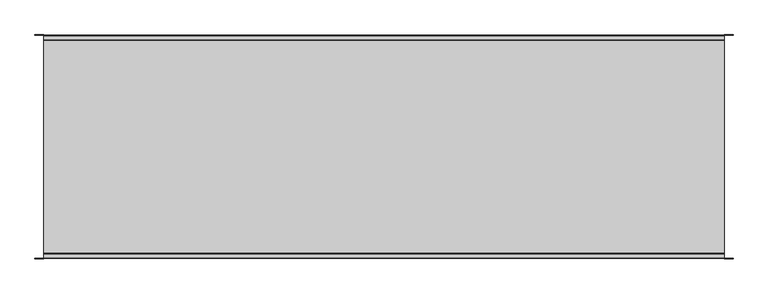
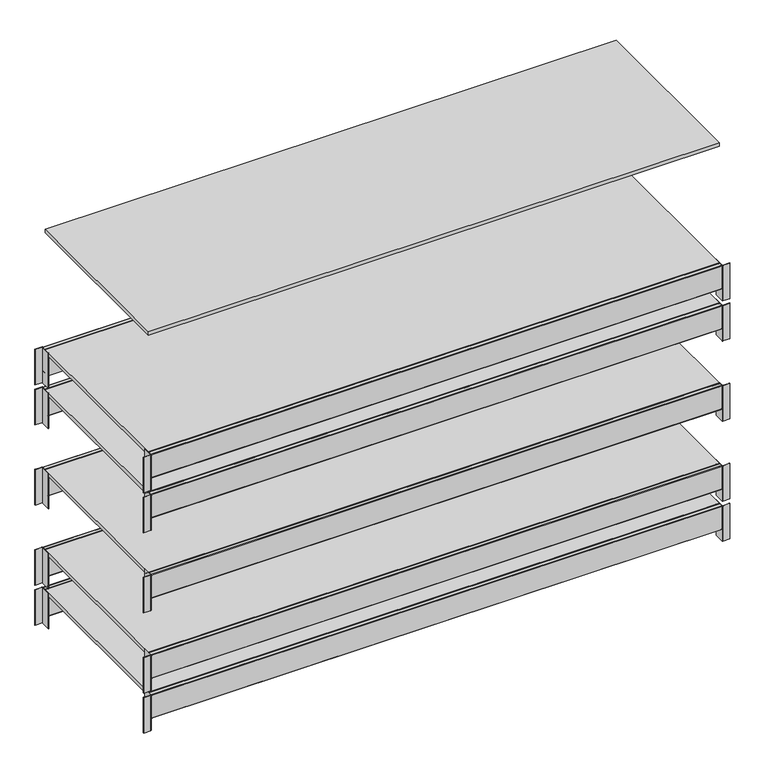
"""IFC4 building model written with IfcOpenShell, lengths in millimetres: furniture geometry."""

from ifc_helpers import new_model, si_unit, point, frame, frame_2d, origin, place, context, project, spatial, polyline, circle_curve, trimmed, segment, composite_curve, outline, extrude, source, transform, mapped, element, save


def furniture_fd3de871(model_context):
    return source(origin(), model_context, "Body", "SweptSolid", [
        extrude(outline(polyline([(2826.5, 878.0), (2826.5, 22.0), (86.5, 22.0), (86.5, 878.0), (2826.5, 878.0)])), frame((0.0, 0.0, 1607.6), z_axis=(0.0, 0.0, 1.0), x_axis=(1.0, 0.0, 0.0)), (0.0, 0.0, 1.0), 18.0),
        extrude(outline(polyline([(2826.5, 878.0), (2826.5, 22.0), (86.5, 22.0), (86.5, 878.0), (2826.5, 878.0)])), frame((0.0, 0.0, 794.8), z_axis=(0.0, 0.0, 1.0), x_axis=(1.0, 0.0, 0.0)), (0.0, 0.0, 1.0), 18.0),
        extrude(outline(polyline([(2826.5, 878.0), (2826.5, 22.0), (86.5, 22.0), (86.5, 878.0), (2826.5, 878.0)])), frame((0.0, 0.0, 1201.2), z_axis=(0.0, 0.0, 1.0), x_axis=(1.0, 0.0, 0.0)), (0.0, 0.0, 1.0), 18.0),
        extrude(outline(polyline([(2826.5, 878.0), (2826.5, 22.0), (86.5, 22.0), (86.5, 878.0), (2826.5, 878.0)])), frame((0.0, 0.0, 1810.8), z_axis=(0.0, 0.0, 1.0), x_axis=(1.0, 0.0, 0.0)), (0.0, 0.0, 1.0), 18.0),
        extrude(outline(polyline([(2826.5, 878.0), (2826.5, 22.0), (86.5, 22.0), (86.5, 878.0), (2826.5, 878.0)])), frame((0.0, 0.0, 591.6), z_axis=(0.0, 0.0, 1.0), x_axis=(1.0, 0.0, 0.0)), (0.0, 0.0, 1.0), 18.0),
        extrude(outline(polyline([(2826.5, 878.0), (2826.5, 22.0), (86.5, 22.0), (86.5, 878.0), (2826.5, 878.0)])), frame((0.0, 0.0, 2420.4), z_axis=(0.0, 0.0, 1.0), x_axis=(1.0, 0.0, 0.0)), (0.0, 0.0, 1.0), 18.0),
        extrude(outline(composite_curve([segment(trimmed(circle_curve(frame_2d((879.5, 1811.3)), 0.5), [point((879.5, 1810.8))], [point((880.0, 1811.3))], True, "CARTESIAN"), True, "CONTINUOUS"), segment(polyline([(880.0, 1811.3), (880.0, 1826.8)]), True, "CONTINUOUS"), segment(trimmed(circle_curve(frame_2d((882.0, 1826.8)), 2.0), [point((880.0, 1826.8))], [point((882.0, 1828.8))], False, "CARTESIAN"), True, "CONTINUOUS"), segment(polyline([(882.0, 1828.8), (898.0, 1828.8)]), True, "CONTINUOUS"), segment(trimmed(circle_curve(frame_2d((898.0, 1826.8)), 2.0), [point((898.0, 1828.8))], [point((900.0, 1826.8))], False, "CARTESIAN"), True, "CONTINUOUS"), segment(polyline([(900.0, 1826.8), (900.0, 1710.8)]), True, "CONTINUOUS"), segment(trimmed(circle_curve(frame_2d((898.0, 1710.8)), 2.0), [point((900.0, 1710.8))], [point((898.0, 1708.8))], False, "CARTESIAN"), True, "CONTINUOUS"), segment(polyline([(898.0, 1708.8), (857.0, 1708.8)]), True, "CONTINUOUS"), segment(trimmed(circle_curve(frame_2d((857.0, 1710.8)), 2.0), [point((857.0, 1708.8))], [point((855.0, 1710.8))], False, "CARTESIAN"), True, "CONTINUOUS"), segment(polyline([(855.0, 1710.8), (855.0, 1808.8)]), True, "CONTINUOUS"), segment(trimmed(circle_curve(frame_2d((857.0, 1808.8)), 2.0), [point((855.0, 1808.8))], [point((857.0, 1810.8))], False, "CARTESIAN"), True, "CONTINUOUS"), segment(polyline([(857.0, 1810.8), (879.5, 1810.8)]), True, "CONTINUOUS")], self_intersect=False), holes=[composite_curve([segment(trimmed(circle_curve(frame_2d((857.0, 1808.8)), 0.5), [point((857.0, 1809.3))], [point((856.5, 1808.8))], True, "CARTESIAN"), True, "CONTINUOUS"), segment(polyline([(856.5, 1808.8), (856.5, 1710.8)]), True, "CONTINUOUS"), segment(trimmed(circle_curve(frame_2d((857.0, 1710.8)), 0.5), [point((856.5, 1710.8))], [point((857.0, 1710.3))], True, "CARTESIAN"), True, "CONTINUOUS"), segment(polyline([(857.0, 1710.3), (898.0, 1710.3)]), True, "CONTINUOUS"), segment(trimmed(circle_curve(frame_2d((898.0, 1710.8)), 0.5), [point((898.0, 1710.3))], [point((898.5, 1710.8))], True, "CARTESIAN"), True, "CONTINUOUS"), segment(polyline([(898.5, 1710.8), (898.5, 1826.8)]), True, "CONTINUOUS"), segment(trimmed(circle_curve(frame_2d((898.0, 1826.8)), 0.5), [point((898.5, 1826.8))], [point((898.0, 1827.3))], True, "CARTESIAN"), True, "CONTINUOUS"), segment(polyline([(898.0, 1827.3), (882.0, 1827.3)]), True, "CONTINUOUS"), segment(trimmed(circle_curve(frame_2d((882.0, 1826.8)), 0.5), [point((882.0, 1827.3))], [point((881.5, 1826.8))], True, "CARTESIAN"), True, "CONTINUOUS"), segment(polyline([(881.5, 1826.8), (881.5, 1811.3)]), True, "CONTINUOUS"), segment(trimmed(circle_curve(frame_2d((879.5, 1811.3)), 2.0), [point((881.5, 1811.3))], [point((879.5, 1809.3))], False, "CARTESIAN"), True, "CONTINUOUS"), segment(polyline([(879.5, 1809.3), (857.0, 1809.3)]), True, "CONTINUOUS")], self_intersect=False)]), frame((86.5, 0.0, 0.0), z_axis=(1.0, 0.0, 0.0), x_axis=(0.0, 1.0, 0.0)), (0.0, 0.0, 1.0), 2740.0),
        extrude(outline(composite_curve([segment(trimmed(circle_curve(frame_2d((43.0, 1808.8)), 2.0), [point((43.0, 1810.8))], [point((45.0, 1808.8))], False, "CARTESIAN"), True, "CONTINUOUS"), segment(polyline([(45.0, 1808.8), (45.0, 1710.8)]), True, "CONTINUOUS"), segment(trimmed(circle_curve(frame_2d((43.0, 1710.8)), 2.0), [point((45.0, 1710.8))], [point((43.0, 1708.8))], False, "CARTESIAN"), True, "CONTINUOUS"), segment(polyline([(43.0, 1708.8), (2.0, 1708.8)]), True, "CONTINUOUS"), segment(trimmed(circle_curve(frame_2d((2.0, 1710.8)), 2.0), [point((2.0, 1708.8))], [point((0.0, 1710.8))], False, "CARTESIAN"), True, "CONTINUOUS"), segment(polyline([(0.0, 1710.8), (0.0, 1826.8)]), True, "CONTINUOUS"), segment(trimmed(circle_curve(frame_2d((2.0, 1826.8)), 2.0), [point((0.0, 1826.8))], [point((2.0, 1828.8))], False, "CARTESIAN"), True, "CONTINUOUS"), segment(polyline([(2.0, 1828.8), (18.0, 1828.8)]), True, "CONTINUOUS"), segment(trimmed(circle_curve(frame_2d((18.0, 1826.8)), 2.0), [point((18.0, 1828.8))], [point((20.0, 1826.8))], False, "CARTESIAN"), True, "CONTINUOUS"), segment(polyline([(20.0, 1826.8), (20.0, 1811.3)]), True, "CONTINUOUS"), segment(trimmed(circle_curve(frame_2d((20.5, 1811.3)), 0.5), [point((20.0, 1811.3))], [point((20.5, 1810.8))], True, "CARTESIAN"), True, "CONTINUOUS"), segment(polyline([(20.5, 1810.8), (43.0, 1810.8)]), True, "CONTINUOUS")], self_intersect=False), holes=[composite_curve([segment(trimmed(circle_curve(frame_2d((20.5, 1811.3)), 2.0), [point((20.5, 1809.3))], [point((18.5, 1811.3))], False, "CARTESIAN"), True, "CONTINUOUS"), segment(polyline([(18.5, 1811.3), (18.5, 1826.8)]), True, "CONTINUOUS"), segment(trimmed(circle_curve(frame_2d((18.0, 1826.8)), 0.5), [point((18.5, 1826.8))], [point((18.0, 1827.3))], True, "CARTESIAN"), True, "CONTINUOUS"), segment(polyline([(18.0, 1827.3), (2.0, 1827.3)]), True, "CONTINUOUS"), segment(trimmed(circle_curve(frame_2d((2.0, 1826.8)), 0.5), [point((2.0, 1827.3))], [point((1.5, 1826.8))], True, "CARTESIAN"), True, "CONTINUOUS"), segment(polyline([(1.5, 1826.8), (1.5, 1710.8)]), True, "CONTINUOUS"), segment(trimmed(circle_curve(frame_2d((2.0, 1710.8)), 0.5), [point((1.5, 1710.8))], [point((2.0, 1710.3))], True, "CARTESIAN"), True, "CONTINUOUS"), segment(polyline([(2.0, 1710.3), (43.0, 1710.3)]), True, "CONTINUOUS"), segment(trimmed(circle_curve(frame_2d((43.0, 1710.8)), 0.5), [point((43.0, 1710.3))], [point((43.5, 1710.8))], True, "CARTESIAN"), True, "CONTINUOUS"), segment(polyline([(43.5, 1710.8), (43.5, 1808.8)]), True, "CONTINUOUS"), segment(trimmed(circle_curve(frame_2d((43.0, 1808.8)), 0.5), [point((43.5, 1808.8))], [point((43.0, 1809.3))], True, "CARTESIAN"), True, "CONTINUOUS"), segment(polyline([(43.0, 1809.3), (20.5, 1809.3)]), True, "CONTINUOUS")], self_intersect=False)]), frame((86.5, 0.0, 0.0), z_axis=(1.0, 0.0, 0.0), x_axis=(0.0, 1.0, 0.0)), (0.0, 0.0, 1.0), 2740.0),
        extrude(outline(composite_curve([segment(trimmed(circle_curve(frame_2d((879.5, 592.1)), 0.5), [point((879.5, 591.6))], [point((880.0, 592.1))], True, "CARTESIAN"), True, "CONTINUOUS"), segment(polyline([(880.0, 592.1), (880.0, 607.6)]), True, "CONTINUOUS"), segment(trimmed(circle_curve(frame_2d((882.0, 607.6)), 2.0), [point((880.0, 607.6))], [point((882.0, 609.6))], False, "CARTESIAN"), True, "CONTINUOUS"), segment(polyline([(882.0, 609.6), (898.0, 609.6)]), True, "CONTINUOUS"), segment(trimmed(circle_curve(frame_2d((898.0, 607.6)), 2.0), [point((898.0, 609.6))], [point((900.0, 607.6))], False, "CARTESIAN"), True, "CONTINUOUS"), segment(polyline([(900.0, 607.6), (900.0, 491.6)]), True, "CONTINUOUS"), segment(trimmed(circle_curve(frame_2d((898.0, 491.6)), 2.0), [point((900.0, 491.6))], [point((898.0, 489.6))], False, "CARTESIAN"), True, "CONTINUOUS"), segment(polyline([(898.0, 489.6), (857.0, 489.6)]), True, "CONTINUOUS"), segment(trimmed(circle_curve(frame_2d((857.0, 491.6)), 2.0), [point((857.0, 489.6))], [point((855.0, 491.6))], False, "CARTESIAN"), True, "CONTINUOUS"), segment(polyline([(855.0, 491.6), (855.0, 589.6)]), True, "CONTINUOUS"), segment(trimmed(circle_curve(frame_2d((857.0, 589.6)), 2.0), [point((855.0, 589.6))], [point((857.0, 591.6))], False, "CARTESIAN"), True, "CONTINUOUS"), segment(polyline([(857.0, 591.6), (879.5, 591.6)]), True, "CONTINUOUS")], self_intersect=False), holes=[composite_curve([segment(trimmed(circle_curve(frame_2d((857.0, 589.6)), 0.5), [point((857.0, 590.1))], [point((856.5, 589.6))], True, "CARTESIAN"), True, "CONTINUOUS"), segment(polyline([(856.5, 589.6), (856.5, 491.6)]), True, "CONTINUOUS"), segment(trimmed(circle_curve(frame_2d((857.0, 491.6)), 0.5), [point((856.5, 491.6))], [point((857.0, 491.1))], True, "CARTESIAN"), True, "CONTINUOUS"), segment(polyline([(857.0, 491.1), (898.0, 491.1)]), True, "CONTINUOUS"), segment(trimmed(circle_curve(frame_2d((898.0, 491.6)), 0.5), [point((898.0, 491.1))], [point((898.5, 491.6))], True, "CARTESIAN"), True, "CONTINUOUS"), segment(polyline([(898.5, 491.6), (898.5, 607.6)]), True, "CONTINUOUS"), segment(trimmed(circle_curve(frame_2d((898.0, 607.6)), 0.5), [point((898.5, 607.6))], [point((898.0, 608.1))], True, "CARTESIAN"), True, "CONTINUOUS"), segment(polyline([(898.0, 608.1), (882.0, 608.1)]), True, "CONTINUOUS"), segment(trimmed(circle_curve(frame_2d((882.0, 607.6)), 0.5), [point((882.0, 608.1))], [point((881.5, 607.6))], True, "CARTESIAN"), True, "CONTINUOUS"), segment(polyline([(881.5, 607.6), (881.5, 592.1)]), True, "CONTINUOUS"), segment(trimmed(circle_curve(frame_2d((879.5, 592.1)), 2.0), [point((881.5, 592.1))], [point((879.5, 590.1))], False, "CARTESIAN"), True, "CONTINUOUS"), segment(polyline([(879.5, 590.1), (857.0, 590.1)]), True, "CONTINUOUS")], self_intersect=False)]), frame((86.5, 0.0, 0.0), z_axis=(1.0, 0.0, 0.0), x_axis=(0.0, 1.0, 0.0)), (0.0, 0.0, 1.0), 2740.0),
        extrude(outline(composite_curve([segment(trimmed(circle_curve(frame_2d((43.0, 589.6)), 2.0), [point((43.0, 591.6))], [point((45.0, 589.6))], False, "CARTESIAN"), True, "CONTINUOUS"), segment(polyline([(45.0, 589.6), (45.0, 491.6)]), True, "CONTINUOUS"), segment(trimmed(circle_curve(frame_2d((43.0, 491.6)), 2.0), [point((45.0, 491.6))], [point((43.0, 489.6))], False, "CARTESIAN"), True, "CONTINUOUS"), segment(polyline([(43.0, 489.6), (2.0, 489.6)]), True, "CONTINUOUS"), segment(trimmed(circle_curve(frame_2d((2.0, 491.6)), 2.0), [point((2.0, 489.6))], [point((0.0, 491.6))], False, "CARTESIAN"), True, "CONTINUOUS"), segment(polyline([(0.0, 491.6), (0.0, 607.6)]), True, "CONTINUOUS"), segment(trimmed(circle_curve(frame_2d((2.0, 607.6)), 2.0), [point((0.0, 607.6))], [point((2.0, 609.6))], False, "CARTESIAN"), True, "CONTINUOUS"), segment(polyline([(2.0, 609.6), (18.0, 609.6)]), True, "CONTINUOUS"), segment(trimmed(circle_curve(frame_2d((18.0, 607.6)), 2.0), [point((18.0, 609.6))], [point((20.0, 607.6))], False, "CARTESIAN"), True, "CONTINUOUS"), segment(polyline([(20.0, 607.6), (20.0, 592.1)]), True, "CONTINUOUS"), segment(trimmed(circle_curve(frame_2d((20.5, 592.1)), 0.5), [point((20.0, 592.1))], [point((20.5, 591.6))], True, "CARTESIAN"), True, "CONTINUOUS"), segment(polyline([(20.5, 591.6), (43.0, 591.6)]), True, "CONTINUOUS")], self_intersect=False), holes=[composite_curve([segment(trimmed(circle_curve(frame_2d((20.5, 592.1)), 2.0), [point((20.5, 590.1))], [point((18.5, 592.1))], False, "CARTESIAN"), True, "CONTINUOUS"), segment(polyline([(18.5, 592.1), (18.5, 607.6)]), True, "CONTINUOUS"), segment(trimmed(circle_curve(frame_2d((18.0, 607.6)), 0.5), [point((18.5, 607.6))], [point((18.0, 608.1))], True, "CARTESIAN"), True, "CONTINUOUS"), segment(polyline([(18.0, 608.1), (2.0, 608.1)]), True, "CONTINUOUS"), segment(trimmed(circle_curve(frame_2d((2.0, 607.6)), 0.5), [point((2.0, 608.1))], [point((1.5, 607.6))], True, "CARTESIAN"), True, "CONTINUOUS"), segment(polyline([(1.5, 607.6), (1.5, 491.6)]), True, "CONTINUOUS"), segment(trimmed(circle_curve(frame_2d((2.0, 491.6)), 0.5), [point((1.5, 491.6))], [point((2.0, 491.1))], True, "CARTESIAN"), True, "CONTINUOUS"), segment(polyline([(2.0, 491.1), (43.0, 491.1)]), True, "CONTINUOUS"), segment(trimmed(circle_curve(frame_2d((43.0, 491.6)), 0.5), [point((43.0, 491.1))], [point((43.5, 491.6))], True, "CARTESIAN"), True, "CONTINUOUS"), segment(polyline([(43.5, 491.6), (43.5, 589.6)]), True, "CONTINUOUS"), segment(trimmed(circle_curve(frame_2d((43.0, 589.6)), 0.5), [point((43.5, 589.6))], [point((43.0, 590.1))], True, "CARTESIAN"), True, "CONTINUOUS"), segment(polyline([(43.0, 590.1), (20.5, 590.1)]), True, "CONTINUOUS")], self_intersect=False)]), frame((86.5, 0.0, 0.0), z_axis=(1.0, 0.0, 0.0), x_axis=(0.0, 1.0, 0.0)), (0.0, 0.0, 1.0), 2740.0),
        extrude(outline(composite_curve([segment(polyline([(50.0, 901.5), (84.5, 901.5)]), True, "CONTINUOUS"), segment(trimmed(circle_curve(frame_2d((84.5, 899.5)), 2.0), [point((84.5, 901.5))], [point((86.5, 899.5))], False, "CARTESIAN"), True, "CONTINUOUS"), segment(polyline([(86.5, 899.5), (86.5, 850.0), (85.0, 850.0), (85.0, 899.5)]), True, "CONTINUOUS"), segment(trimmed(circle_curve(frame_2d((84.5, 899.5)), 0.5), [point((85.0, 899.5))], [point((84.5, 900.0))], True, "CARTESIAN"), True, "CONTINUOUS"), segment(polyline([(84.5, 900.0), (50.0, 900.0), (50.0, 901.5)]), True, "CONTINUOUS")], self_intersect=False)), frame((0.0, 0.0, 429.6), z_axis=(0.0, 0.0, 1.0), x_axis=(1.0, 0.0, 0.0)), (0.0, 0.0, 1.0), 180.0),
        extrude(outline(composite_curve([segment(polyline([(84.5, -1.5), (50.0, -1.5), (50.0, 0.0), (84.5, 0.0)]), True, "CONTINUOUS"), segment(trimmed(circle_curve(frame_2d((84.5, 0.5)), 0.5), [point((84.5, 0.0))], [point((85.0, 0.5))], True, "CARTESIAN"), True, "CONTINUOUS"), segment(polyline([(85.0, 0.5), (85.0, 50.0), (86.5, 50.0), (86.5, 0.5)]), True, "CONTINUOUS"), segment(trimmed(circle_curve(frame_2d((84.5, 0.5)), 2.0), [point((86.5, 0.5))], [point((84.5, -1.5))], False, "CARTESIAN"), True, "CONTINUOUS")], self_intersect=False)), frame((0.0, 0.0, 429.6), z_axis=(0.0, 0.0, 1.0), x_axis=(1.0, 0.0, 0.0)), (0.0, 0.0, 1.0), 180.0),
        extrude(outline(composite_curve([segment(polyline([(2863.0, -1.5), (2828.5, -1.5)]), True, "CONTINUOUS"), segment(trimmed(circle_curve(frame_2d((2828.5, 0.5)), 2.0), [point((2828.5, -1.5))], [point((2826.5, 0.5))], False, "CARTESIAN"), True, "CONTINUOUS"), segment(polyline([(2826.5, 0.5), (2826.5, 50.0), (2828.0, 50.0), (2828.0, 0.5)]), True, "CONTINUOUS"), segment(trimmed(circle_curve(frame_2d((2828.5, 0.5)), 0.5), [point((2828.0, 0.5))], [point((2828.5, 0.0))], True, "CARTESIAN"), True, "CONTINUOUS"), segment(polyline([(2828.5, 0.0), (2863.0, 0.0), (2863.0, -1.5)]), True, "CONTINUOUS")], self_intersect=False)), frame((0.0, 0.0, 429.6), z_axis=(0.0, 0.0, 1.0), x_axis=(1.0, 0.0, 0.0)), (0.0, 0.0, 1.0), 180.0),
        extrude(outline(composite_curve([segment(polyline([(2828.5, 901.5), (2863.0, 901.5), (2863.0, 900.0), (2828.5, 900.0)]), True, "CONTINUOUS"), segment(trimmed(circle_curve(frame_2d((2828.5, 899.5)), 0.5), [point((2828.5, 900.0))], [point((2828.0, 899.5))], True, "CARTESIAN"), True, "CONTINUOUS"), segment(polyline([(2828.0, 899.5), (2828.0, 850.0), (2826.5, 850.0), (2826.5, 899.5)]), True, "CONTINUOUS"), segment(trimmed(circle_curve(frame_2d((2828.5, 899.5)), 2.0), [point((2826.5, 899.5))], [point((2828.5, 901.5))], False, "CARTESIAN"), True, "CONTINUOUS")], self_intersect=False)), frame((0.0, 0.0, 429.6), z_axis=(0.0, 0.0, 1.0), x_axis=(1.0, 0.0, 0.0)), (0.0, 0.0, 1.0), 180.0),
        extrude(outline(composite_curve([segment(polyline([(50.0, 901.5), (84.5, 901.5)]), True, "CONTINUOUS"), segment(trimmed(circle_curve(frame_2d((84.5, 899.5)), 2.0), [point((84.5, 901.5))], [point((86.5, 899.5))], False, "CARTESIAN"), True, "CONTINUOUS"), segment(polyline([(86.5, 899.5), (86.5, 850.0), (85.0, 850.0), (85.0, 899.5)]), True, "CONTINUOUS"), segment(trimmed(circle_curve(frame_2d((84.5, 899.5)), 0.5), [point((85.0, 899.5))], [point((84.5, 900.0))], True, "CARTESIAN"), True, "CONTINUOUS"), segment(polyline([(84.5, 900.0), (50.0, 900.0), (50.0, 901.5)]), True, "CONTINUOUS")], self_intersect=False)), frame((0.0, 0.0, 1648.8), z_axis=(0.0, 0.0, 1.0), x_axis=(1.0, 0.0, 0.0)), (0.0, 0.0, 1.0), 180.0),
        extrude(outline(composite_curve([segment(polyline([(84.5, -1.5), (50.0, -1.5), (50.0, 0.0), (84.5, 0.0)]), True, "CONTINUOUS"), segment(trimmed(circle_curve(frame_2d((84.5, 0.5)), 0.5), [point((84.5, 0.0))], [point((85.0, 0.5))], True, "CARTESIAN"), True, "CONTINUOUS"), segment(polyline([(85.0, 0.5), (85.0, 50.0), (86.5, 50.0), (86.5, 0.5)]), True, "CONTINUOUS"), segment(trimmed(circle_curve(frame_2d((84.5, 0.5)), 2.0), [point((86.5, 0.5))], [point((84.5, -1.5))], False, "CARTESIAN"), True, "CONTINUOUS")], self_intersect=False)), frame((0.0, 0.0, 1648.8), z_axis=(0.0, 0.0, 1.0), x_axis=(1.0, 0.0, 0.0)), (0.0, 0.0, 1.0), 180.0),
        extrude(outline(composite_curve([segment(polyline([(2863.0, -1.5), (2828.5, -1.5)]), True, "CONTINUOUS"), segment(trimmed(circle_curve(frame_2d((2828.5, 0.5)), 2.0), [point((2828.5, -1.5))], [point((2826.5, 0.5))], False, "CARTESIAN"), True, "CONTINUOUS"), segment(polyline([(2826.5, 0.5), (2826.5, 50.0), (2828.0, 50.0), (2828.0, 0.5)]), True, "CONTINUOUS"), segment(trimmed(circle_curve(frame_2d((2828.5, 0.5)), 0.5), [point((2828.0, 0.5))], [point((2828.5, 0.0))], True, "CARTESIAN"), True, "CONTINUOUS"), segment(polyline([(2828.5, 0.0), (2863.0, 0.0), (2863.0, -1.5)]), True, "CONTINUOUS")], self_intersect=False)), frame((0.0, 0.0, 1648.8), z_axis=(0.0, 0.0, 1.0), x_axis=(1.0, 0.0, 0.0)), (0.0, 0.0, 1.0), 180.0),
        extrude(outline(composite_curve([segment(polyline([(2828.5, 901.5), (2863.0, 901.5), (2863.0, 900.0), (2828.5, 900.0)]), True, "CONTINUOUS"), segment(trimmed(circle_curve(frame_2d((2828.5, 899.5)), 0.5), [point((2828.5, 900.0))], [point((2828.0, 899.5))], True, "CARTESIAN"), True, "CONTINUOUS"), segment(polyline([(2828.0, 899.5), (2828.0, 850.0), (2826.5, 850.0), (2826.5, 899.5)]), True, "CONTINUOUS"), segment(trimmed(circle_curve(frame_2d((2828.5, 899.5)), 2.0), [point((2826.5, 899.5))], [point((2828.5, 901.5))], False, "CARTESIAN"), True, "CONTINUOUS")], self_intersect=False)), frame((0.0, 0.0, 1648.8), z_axis=(0.0, 0.0, 1.0), x_axis=(1.0, 0.0, 0.0)), (0.0, 0.0, 1.0), 180.0),
        extrude(outline(composite_curve([segment(polyline([(50.0, 901.5), (84.5, 901.5)]), True, "CONTINUOUS"), segment(trimmed(circle_curve(frame_2d((84.5, 899.5)), 2.0), [point((84.5, 901.5))], [point((86.5, 899.5))], False, "CARTESIAN"), True, "CONTINUOUS"), segment(polyline([(86.5, 899.5), (86.5, 850.0), (85.0, 850.0), (85.0, 899.5)]), True, "CONTINUOUS"), segment(trimmed(circle_curve(frame_2d((84.5, 899.5)), 0.5), [point((85.0, 899.5))], [point((84.5, 900.0))], True, "CARTESIAN"), True, "CONTINUOUS"), segment(polyline([(84.5, 900.0), (50.0, 900.0), (50.0, 901.5)]), True, "CONTINUOUS")], self_intersect=False)), frame((0.0, 0.0, 632.8), z_axis=(0.0, 0.0, 1.0), x_axis=(1.0, 0.0, 0.0)), (0.0, 0.0, 1.0), 180.0),
        extrude(outline(composite_curve([segment(polyline([(84.5, -1.5), (50.0, -1.5), (50.0, 0.0), (84.5, 0.0)]), True, "CONTINUOUS"), segment(trimmed(circle_curve(frame_2d((84.5, 0.5)), 0.5), [point((84.5, 0.0))], [point((85.0, 0.5))], True, "CARTESIAN"), True, "CONTINUOUS"), segment(polyline([(85.0, 0.5), (85.0, 50.0), (86.5, 50.0), (86.5, 0.5)]), True, "CONTINUOUS"), segment(trimmed(circle_curve(frame_2d((84.5, 0.5)), 2.0), [point((86.5, 0.5))], [point((84.5, -1.5))], False, "CARTESIAN"), True, "CONTINUOUS")], self_intersect=False)), frame((0.0, 0.0, 632.8), z_axis=(0.0, 0.0, 1.0), x_axis=(1.0, 0.0, 0.0)), (0.0, 0.0, 1.0), 180.0),
        extrude(outline(composite_curve([segment(polyline([(2863.0, -1.5), (2828.5, -1.5)]), True, "CONTINUOUS"), segment(trimmed(circle_curve(frame_2d((2828.5, 0.5)), 2.0), [point((2828.5, -1.5))], [point((2826.5, 0.5))], False, "CARTESIAN"), True, "CONTINUOUS"), segment(polyline([(2826.5, 0.5), (2826.5, 50.0), (2828.0, 50.0), (2828.0, 0.5)]), True, "CONTINUOUS"), segment(trimmed(circle_curve(frame_2d((2828.5, 0.5)), 0.5), [point((2828.0, 0.5))], [point((2828.5, 0.0))], True, "CARTESIAN"), True, "CONTINUOUS"), segment(polyline([(2828.5, 0.0), (2863.0, 0.0), (2863.0, -1.5)]), True, "CONTINUOUS")], self_intersect=False)), frame((0.0, 0.0, 632.8), z_axis=(0.0, 0.0, 1.0), x_axis=(1.0, 0.0, 0.0)), (0.0, 0.0, 1.0), 180.0),
        extrude(outline(composite_curve([segment(polyline([(2828.5, 901.5), (2863.0, 901.5), (2863.0, 900.0), (2828.5, 900.0)]), True, "CONTINUOUS"), segment(trimmed(circle_curve(frame_2d((2828.5, 899.5)), 0.5), [point((2828.5, 900.0))], [point((2828.0, 899.5))], True, "CARTESIAN"), True, "CONTINUOUS"), segment(polyline([(2828.0, 899.5), (2828.0, 850.0), (2826.5, 850.0), (2826.5, 899.5)]), True, "CONTINUOUS"), segment(trimmed(circle_curve(frame_2d((2828.5, 899.5)), 2.0), [point((2826.5, 899.5))], [point((2828.5, 901.5))], False, "CARTESIAN"), True, "CONTINUOUS")], self_intersect=False)), frame((0.0, 0.0, 632.8), z_axis=(0.0, 0.0, 1.0), x_axis=(1.0, 0.0, 0.0)), (0.0, 0.0, 1.0), 180.0),
        extrude(outline(composite_curve([segment(polyline([(50.0, 901.5), (84.5, 901.5)]), True, "CONTINUOUS"), segment(trimmed(circle_curve(frame_2d((84.5, 899.5)), 2.0), [point((84.5, 901.5))], [point((86.5, 899.5))], False, "CARTESIAN"), True, "CONTINUOUS"), segment(polyline([(86.5, 899.5), (86.5, 850.0), (85.0, 850.0), (85.0, 899.5)]), True, "CONTINUOUS"), segment(trimmed(circle_curve(frame_2d((84.5, 899.5)), 0.5), [point((85.0, 899.5))], [point((84.5, 900.0))], True, "CARTESIAN"), True, "CONTINUOUS"), segment(polyline([(84.5, 900.0), (50.0, 900.0), (50.0, 901.5)]), True, "CONTINUOUS")], self_intersect=False)), frame((0.0, 0.0, 1445.6), z_axis=(0.0, 0.0, 1.0), x_axis=(1.0, 0.0, 0.0)), (0.0, 0.0, 1.0), 180.0),
        extrude(outline(composite_curve([segment(polyline([(84.5, -1.5), (50.0, -1.5), (50.0, 0.0), (84.5, 0.0)]), True, "CONTINUOUS"), segment(trimmed(circle_curve(frame_2d((84.5, 0.5)), 0.5), [point((84.5, 0.0))], [point((85.0, 0.5))], True, "CARTESIAN"), True, "CONTINUOUS"), segment(polyline([(85.0, 0.5), (85.0, 50.0), (86.5, 50.0), (86.5, 0.5)]), True, "CONTINUOUS"), segment(trimmed(circle_curve(frame_2d((84.5, 0.5)), 2.0), [point((86.5, 0.5))], [point((84.5, -1.5))], False, "CARTESIAN"), True, "CONTINUOUS")], self_intersect=False)), frame((0.0, 0.0, 1445.6), z_axis=(0.0, 0.0, 1.0), x_axis=(1.0, 0.0, 0.0)), (0.0, 0.0, 1.0), 180.0),
        extrude(outline(composite_curve([segment(polyline([(2863.0, -1.5), (2828.5, -1.5)]), True, "CONTINUOUS"), segment(trimmed(circle_curve(frame_2d((2828.5, 0.5)), 2.0), [point((2828.5, -1.5))], [point((2826.5, 0.5))], False, "CARTESIAN"), True, "CONTINUOUS"), segment(polyline([(2826.5, 0.5), (2826.5, 50.0), (2828.0, 50.0), (2828.0, 0.5)]), True, "CONTINUOUS"), segment(trimmed(circle_curve(frame_2d((2828.5, 0.5)), 0.5), [point((2828.0, 0.5))], [point((2828.5, 0.0))], True, "CARTESIAN"), True, "CONTINUOUS"), segment(polyline([(2828.5, 0.0), (2863.0, 0.0), (2863.0, -1.5)]), True, "CONTINUOUS")], self_intersect=False)), frame((0.0, 0.0, 1445.6), z_axis=(0.0, 0.0, 1.0), x_axis=(1.0, 0.0, 0.0)), (0.0, 0.0, 1.0), 180.0),
        extrude(outline(composite_curve([segment(polyline([(2828.5, 901.5), (2863.0, 901.5), (2863.0, 900.0), (2828.5, 900.0)]), True, "CONTINUOUS"), segment(trimmed(circle_curve(frame_2d((2828.5, 899.5)), 0.5), [point((2828.5, 900.0))], [point((2828.0, 899.5))], True, "CARTESIAN"), True, "CONTINUOUS"), segment(polyline([(2828.0, 899.5), (2828.0, 850.0), (2826.5, 850.0), (2826.5, 899.5)]), True, "CONTINUOUS"), segment(trimmed(circle_curve(frame_2d((2828.5, 899.5)), 2.0), [point((2826.5, 899.5))], [point((2828.5, 901.5))], False, "CARTESIAN"), True, "CONTINUOUS")], self_intersect=False)), frame((0.0, 0.0, 1445.6), z_axis=(0.0, 0.0, 1.0), x_axis=(1.0, 0.0, 0.0)), (0.0, 0.0, 1.0), 180.0),
        extrude(outline(composite_curve([segment(trimmed(circle_curve(frame_2d((18.0, 1623.6)), 2.0), [point((18.0, 1625.6))], [point((20.0, 1623.6))], False, "CARTESIAN"), True, "CONTINUOUS"), segment(polyline([(20.0, 1623.6), (20.0, 1608.1)]), True, "CONTINUOUS"), segment(trimmed(circle_curve(frame_2d((20.5, 1608.1)), 0.5), [point((20.0, 1608.1))], [point((20.5, 1607.6))], True, "CARTESIAN"), True, "CONTINUOUS"), segment(polyline([(20.5, 1607.6), (43.0, 1607.6)]), True, "CONTINUOUS"), segment(trimmed(circle_curve(frame_2d((43.0, 1605.6)), 2.0), [point((43.0, 1607.6))], [point((45.0, 1605.6))], False, "CARTESIAN"), True, "CONTINUOUS"), segment(polyline([(45.0, 1605.6), (45.0, 1507.6)]), True, "CONTINUOUS"), segment(trimmed(circle_curve(frame_2d((43.0, 1507.6)), 2.0), [point((45.0, 1507.6))], [point((43.0, 1505.6))], False, "CARTESIAN"), True, "CONTINUOUS"), segment(polyline([(43.0, 1505.6), (2.0, 1505.6)]), True, "CONTINUOUS"), segment(trimmed(circle_curve(frame_2d((2.0, 1507.6)), 2.0), [point((2.0, 1505.6))], [point((0.0, 1507.6))], False, "CARTESIAN"), True, "CONTINUOUS"), segment(polyline([(0.0, 1507.6), (0.0, 1623.6)]), True, "CONTINUOUS"), segment(trimmed(circle_curve(frame_2d((2.0, 1623.6)), 2.0), [point((0.0, 1623.6))], [point((2.0, 1625.6))], False, "CARTESIAN"), True, "CONTINUOUS"), segment(polyline([(2.0, 1625.6), (18.0, 1625.6)]), True, "CONTINUOUS")], self_intersect=False), holes=[composite_curve([segment(polyline([(43.0, 1606.1), (20.5, 1606.1)]), True, "CONTINUOUS"), segment(trimmed(circle_curve(frame_2d((20.5, 1608.1)), 2.0), [point((20.5, 1606.1))], [point((18.5, 1608.1))], False, "CARTESIAN"), True, "CONTINUOUS"), segment(polyline([(18.5, 1608.1), (18.5, 1623.6)]), True, "CONTINUOUS"), segment(trimmed(circle_curve(frame_2d((18.0, 1623.6)), 0.5), [point((18.5, 1623.6))], [point((18.0, 1624.1))], True, "CARTESIAN"), True, "CONTINUOUS"), segment(polyline([(18.0, 1624.1), (2.0, 1624.1)]), True, "CONTINUOUS"), segment(trimmed(circle_curve(frame_2d((2.0, 1623.6)), 0.5), [point((2.0, 1624.1))], [point((1.5, 1623.6))], True, "CARTESIAN"), True, "CONTINUOUS"), segment(polyline([(1.5, 1623.6), (1.5, 1507.6)]), True, "CONTINUOUS"), segment(trimmed(circle_curve(frame_2d((2.0, 1507.6)), 0.5), [point((1.5, 1507.6))], [point((2.0, 1507.1))], True, "CARTESIAN"), True, "CONTINUOUS"), segment(polyline([(2.0, 1507.1), (43.0, 1507.1)]), True, "CONTINUOUS"), segment(trimmed(circle_curve(frame_2d((43.0, 1507.6)), 0.5), [point((43.0, 1507.1))], [point((43.5, 1507.6))], True, "CARTESIAN"), True, "CONTINUOUS"), segment(polyline([(43.5, 1507.6), (43.5, 1605.6)]), True, "CONTINUOUS"), segment(trimmed(circle_curve(frame_2d((43.0, 1605.6)), 0.5), [point((43.5, 1605.6))], [point((43.0, 1606.1))], True, "CARTESIAN"), True, "CONTINUOUS")], self_intersect=False)]), frame((86.5, 0.0, 0.0), z_axis=(1.0, 0.0, 0.0), x_axis=(0.0, 1.0, 0.0)), (0.0, 0.0, 1.0), 2740.0),
        extrude(outline(composite_curve([segment(polyline([(882.0, 1625.6), (898.0, 1625.6)]), True, "CONTINUOUS"), segment(trimmed(circle_curve(frame_2d((898.0, 1623.6)), 2.0), [point((898.0, 1625.6))], [point((900.0, 1623.6))], False, "CARTESIAN"), True, "CONTINUOUS"), segment(polyline([(900.0, 1623.6), (900.0, 1507.6)]), True, "CONTINUOUS"), segment(trimmed(circle_curve(frame_2d((898.0, 1507.6)), 2.0), [point((900.0, 1507.6))], [point((898.0, 1505.6))], False, "CARTESIAN"), True, "CONTINUOUS"), segment(polyline([(898.0, 1505.6), (857.0, 1505.6)]), True, "CONTINUOUS"), segment(trimmed(circle_curve(frame_2d((857.0, 1507.6)), 2.0), [point((857.0, 1505.6))], [point((855.0, 1507.6))], False, "CARTESIAN"), True, "CONTINUOUS"), segment(polyline([(855.0, 1507.6), (855.0, 1605.6)]), True, "CONTINUOUS"), segment(trimmed(circle_curve(frame_2d((857.0, 1605.6)), 2.0), [point((855.0, 1605.6))], [point((857.0, 1607.6))], False, "CARTESIAN"), True, "CONTINUOUS"), segment(polyline([(857.0, 1607.6), (879.5, 1607.6)]), True, "CONTINUOUS"), segment(trimmed(circle_curve(frame_2d((879.5, 1608.1)), 0.5), [point((879.5, 1607.6))], [point((880.0, 1608.1))], True, "CARTESIAN"), True, "CONTINUOUS"), segment(polyline([(880.0, 1608.1), (880.0, 1623.6)]), True, "CONTINUOUS"), segment(trimmed(circle_curve(frame_2d((882.0, 1623.6)), 2.0), [point((880.0, 1623.6))], [point((882.0, 1625.6))], False, "CARTESIAN"), True, "CONTINUOUS")], self_intersect=False), holes=[composite_curve([segment(trimmed(circle_curve(frame_2d((857.0, 1605.6)), 0.5), [point((857.0, 1606.1))], [point((856.5, 1605.6))], True, "CARTESIAN"), True, "CONTINUOUS"), segment(polyline([(856.5, 1605.6), (856.5, 1507.6)]), True, "CONTINUOUS"), segment(trimmed(circle_curve(frame_2d((857.0, 1507.6)), 0.5), [point((856.5, 1507.6))], [point((857.0, 1507.1))], True, "CARTESIAN"), True, "CONTINUOUS"), segment(polyline([(857.0, 1507.1), (898.0, 1507.1)]), True, "CONTINUOUS"), segment(trimmed(circle_curve(frame_2d((898.0, 1507.6)), 0.5), [point((898.0, 1507.1))], [point((898.5, 1507.6))], True, "CARTESIAN"), True, "CONTINUOUS"), segment(polyline([(898.5, 1507.6), (898.5, 1623.6)]), True, "CONTINUOUS"), segment(trimmed(circle_curve(frame_2d((898.0, 1623.6)), 0.5), [point((898.5, 1623.6))], [point((898.0, 1624.1))], True, "CARTESIAN"), True, "CONTINUOUS"), segment(polyline([(898.0, 1624.1), (882.0, 1624.1)]), True, "CONTINUOUS"), segment(trimmed(circle_curve(frame_2d((882.0, 1623.6)), 0.5), [point((882.0, 1624.1))], [point((881.5, 1623.6))], True, "CARTESIAN"), True, "CONTINUOUS"), segment(polyline([(881.5, 1623.6), (881.5, 1608.1)]), True, "CONTINUOUS"), segment(trimmed(circle_curve(frame_2d((879.5, 1608.1)), 2.0), [point((881.5, 1608.1))], [point((879.5, 1606.1))], False, "CARTESIAN"), True, "CONTINUOUS"), segment(polyline([(879.5, 1606.1), (857.0, 1606.1)]), True, "CONTINUOUS")], self_intersect=False)]), frame((86.5, 0.0, 0.0), z_axis=(1.0, 0.0, 0.0), x_axis=(0.0, 1.0, 0.0)), (0.0, 0.0, 1.0), 2740.0),
        extrude(outline(composite_curve([segment(trimmed(circle_curve(frame_2d((18.0, 810.8)), 2.0), [point((18.0, 812.8))], [point((20.0, 810.8))], False, "CARTESIAN"), True, "CONTINUOUS"), segment(polyline([(20.0, 810.8), (20.0, 795.3)]), True, "CONTINUOUS"), segment(trimmed(circle_curve(frame_2d((20.5, 795.3)), 0.5), [point((20.0, 795.3))], [point((20.5, 794.8))], True, "CARTESIAN"), True, "CONTINUOUS"), segment(polyline([(20.5, 794.8), (43.0, 794.8)]), True, "CONTINUOUS"), segment(trimmed(circle_curve(frame_2d((43.0, 792.8)), 2.0), [point((43.0, 794.8))], [point((45.0, 792.8))], False, "CARTESIAN"), True, "CONTINUOUS"), segment(polyline([(45.0, 792.8), (45.0, 694.8)]), True, "CONTINUOUS"), segment(trimmed(circle_curve(frame_2d((43.0, 694.8)), 2.0), [point((45.0, 694.8))], [point((43.0, 692.8))], False, "CARTESIAN"), True, "CONTINUOUS"), segment(polyline([(43.0, 692.8), (2.0, 692.8)]), True, "CONTINUOUS"), segment(trimmed(circle_curve(frame_2d((2.0, 694.8)), 2.0), [point((2.0, 692.8))], [point((0.0, 694.8))], False, "CARTESIAN"), True, "CONTINUOUS"), segment(polyline([(0.0, 694.8), (0.0, 810.8)]), True, "CONTINUOUS"), segment(trimmed(circle_curve(frame_2d((2.0, 810.8)), 2.0), [point((0.0, 810.8))], [point((2.0, 812.8))], False, "CARTESIAN"), True, "CONTINUOUS"), segment(polyline([(2.0, 812.8), (18.0, 812.8)]), True, "CONTINUOUS")], self_intersect=False), holes=[composite_curve([segment(polyline([(43.0, 793.3), (20.5, 793.3)]), True, "CONTINUOUS"), segment(trimmed(circle_curve(frame_2d((20.5, 795.3)), 2.0), [point((20.5, 793.3))], [point((18.5, 795.3))], False, "CARTESIAN"), True, "CONTINUOUS"), segment(polyline([(18.5, 795.3), (18.5, 810.8)]), True, "CONTINUOUS"), segment(trimmed(circle_curve(frame_2d((18.0, 810.8)), 0.5), [point((18.5, 810.8))], [point((18.0, 811.3))], True, "CARTESIAN"), True, "CONTINUOUS"), segment(polyline([(18.0, 811.3), (2.0, 811.3)]), True, "CONTINUOUS"), segment(trimmed(circle_curve(frame_2d((2.0, 810.8)), 0.5), [point((2.0, 811.3))], [point((1.5, 810.8))], True, "CARTESIAN"), True, "CONTINUOUS"), segment(polyline([(1.5, 810.8), (1.5, 694.8)]), True, "CONTINUOUS"), segment(trimmed(circle_curve(frame_2d((2.0, 694.8)), 0.5), [point((1.5, 694.8))], [point((2.0, 694.3))], True, "CARTESIAN"), True, "CONTINUOUS"), segment(polyline([(2.0, 694.3), (43.0, 694.3)]), True, "CONTINUOUS"), segment(trimmed(circle_curve(frame_2d((43.0, 694.8)), 0.5), [point((43.0, 694.3))], [point((43.5, 694.8))], True, "CARTESIAN"), True, "CONTINUOUS"), segment(polyline([(43.5, 694.8), (43.5, 792.8)]), True, "CONTINUOUS"), segment(trimmed(circle_curve(frame_2d((43.0, 792.8)), 0.5), [point((43.5, 792.8))], [point((43.0, 793.3))], True, "CARTESIAN"), True, "CONTINUOUS")], self_intersect=False)]), frame((86.5, 0.0, 0.0), z_axis=(1.0, 0.0, 0.0), x_axis=(0.0, 1.0, 0.0)), (0.0, 0.0, 1.0), 2740.0),
        extrude(outline(composite_curve([segment(polyline([(882.0, 812.8), (898.0, 812.8)]), True, "CONTINUOUS"), segment(trimmed(circle_curve(frame_2d((898.0, 810.8)), 2.0), [point((898.0, 812.8))], [point((900.0, 810.8))], False, "CARTESIAN"), True, "CONTINUOUS"), segment(polyline([(900.0, 810.8), (900.0, 694.8)]), True, "CONTINUOUS"), segment(trimmed(circle_curve(frame_2d((898.0, 694.8)), 2.0), [point((900.0, 694.8))], [point((898.0, 692.8))], False, "CARTESIAN"), True, "CONTINUOUS"), segment(polyline([(898.0, 692.8), (857.0, 692.8)]), True, "CONTINUOUS"), segment(trimmed(circle_curve(frame_2d((857.0, 694.8)), 2.0), [point((857.0, 692.8))], [point((855.0, 694.8))], False, "CARTESIAN"), True, "CONTINUOUS"), segment(polyline([(855.0, 694.8), (855.0, 792.8)]), True, "CONTINUOUS"), segment(trimmed(circle_curve(frame_2d((857.0, 792.8)), 2.0), [point((855.0, 792.8))], [point((857.0, 794.8))], False, "CARTESIAN"), True, "CONTINUOUS"), segment(polyline([(857.0, 794.8), (879.5, 794.8)]), True, "CONTINUOUS"), segment(trimmed(circle_curve(frame_2d((879.5, 795.3)), 0.5), [point((879.5, 794.8))], [point((880.0, 795.3))], True, "CARTESIAN"), True, "CONTINUOUS"), segment(polyline([(880.0, 795.3), (880.0, 810.8)]), True, "CONTINUOUS"), segment(trimmed(circle_curve(frame_2d((882.0, 810.8)), 2.0), [point((880.0, 810.8))], [point((882.0, 812.8))], False, "CARTESIAN"), True, "CONTINUOUS")], self_intersect=False), holes=[composite_curve([segment(trimmed(circle_curve(frame_2d((857.0, 792.8)), 0.5), [point((857.0, 793.3))], [point((856.5, 792.8))], True, "CARTESIAN"), True, "CONTINUOUS"), segment(polyline([(856.5, 792.8), (856.5, 694.8)]), True, "CONTINUOUS"), segment(trimmed(circle_curve(frame_2d((857.0, 694.8)), 0.5), [point((856.5, 694.8))], [point((857.0, 694.3))], True, "CARTESIAN"), True, "CONTINUOUS"), segment(polyline([(857.0, 694.3), (898.0, 694.3)]), True, "CONTINUOUS"), segment(trimmed(circle_curve(frame_2d((898.0, 694.8)), 0.5), [point((898.0, 694.3))], [point((898.5, 694.8))], True, "CARTESIAN"), True, "CONTINUOUS"), segment(polyline([(898.5, 694.8), (898.5, 810.8)]), True, "CONTINUOUS"), segment(trimmed(circle_curve(frame_2d((898.0, 810.8)), 0.5), [point((898.5, 810.8))], [point((898.0, 811.3))], True, "CARTESIAN"), True, "CONTINUOUS"), segment(polyline([(898.0, 811.3), (882.0, 811.3)]), True, "CONTINUOUS"), segment(trimmed(circle_curve(frame_2d((882.0, 810.8)), 0.5), [point((882.0, 811.3))], [point((881.5, 810.8))], True, "CARTESIAN"), True, "CONTINUOUS"), segment(polyline([(881.5, 810.8), (881.5, 795.3)]), True, "CONTINUOUS"), segment(trimmed(circle_curve(frame_2d((879.5, 795.3)), 2.0), [point((881.5, 795.3))], [point((879.5, 793.3))], False, "CARTESIAN"), True, "CONTINUOUS"), segment(polyline([(879.5, 793.3), (857.0, 793.3)]), True, "CONTINUOUS")], self_intersect=False)]), frame((86.5, 0.0, 0.0), z_axis=(1.0, 0.0, 0.0), x_axis=(0.0, 1.0, 0.0)), (0.0, 0.0, 1.0), 2740.0),
        extrude(outline(composite_curve([segment(trimmed(circle_curve(frame_2d((18.0, 1217.2)), 2.0), [point((18.0, 1219.2))], [point((20.0, 1217.2))], False, "CARTESIAN"), True, "CONTINUOUS"), segment(polyline([(20.0, 1217.2), (20.0, 1201.7)]), True, "CONTINUOUS"), segment(trimmed(circle_curve(frame_2d((20.5, 1201.7)), 0.5), [point((20.0, 1201.7))], [point((20.5, 1201.2))], True, "CARTESIAN"), True, "CONTINUOUS"), segment(polyline([(20.5, 1201.2), (43.0, 1201.2)]), True, "CONTINUOUS"), segment(trimmed(circle_curve(frame_2d((43.0, 1199.2)), 2.0), [point((43.0, 1201.2))], [point((45.0, 1199.2))], False, "CARTESIAN"), True, "CONTINUOUS"), segment(polyline([(45.0, 1199.2), (45.0, 1101.2)]), True, "CONTINUOUS"), segment(trimmed(circle_curve(frame_2d((43.0, 1101.2)), 2.0), [point((45.0, 1101.2))], [point((43.0, 1099.2))], False, "CARTESIAN"), True, "CONTINUOUS"), segment(polyline([(43.0, 1099.2), (2.0, 1099.2)]), True, "CONTINUOUS"), segment(trimmed(circle_curve(frame_2d((2.0, 1101.2)), 2.0), [point((2.0, 1099.2))], [point((0.0, 1101.2))], False, "CARTESIAN"), True, "CONTINUOUS"), segment(polyline([(0.0, 1101.2), (0.0, 1217.2)]), True, "CONTINUOUS"), segment(trimmed(circle_curve(frame_2d((2.0, 1217.2)), 2.0), [point((0.0, 1217.2))], [point((2.0, 1219.2))], False, "CARTESIAN"), True, "CONTINUOUS"), segment(polyline([(2.0, 1219.2), (18.0, 1219.2)]), True, "CONTINUOUS")], self_intersect=False), holes=[composite_curve([segment(polyline([(43.0, 1199.7), (20.5, 1199.7)]), True, "CONTINUOUS"), segment(trimmed(circle_curve(frame_2d((20.5, 1201.7)), 2.0), [point((20.5, 1199.7))], [point((18.5, 1201.7))], False, "CARTESIAN"), True, "CONTINUOUS"), segment(polyline([(18.5, 1201.7), (18.5, 1217.2)]), True, "CONTINUOUS"), segment(trimmed(circle_curve(frame_2d((18.0, 1217.2)), 0.5), [point((18.5, 1217.2))], [point((18.0, 1217.7))], True, "CARTESIAN"), True, "CONTINUOUS"), segment(polyline([(18.0, 1217.7), (2.0, 1217.7)]), True, "CONTINUOUS"), segment(trimmed(circle_curve(frame_2d((2.0, 1217.2)), 0.5), [point((2.0, 1217.7))], [point((1.5, 1217.2))], True, "CARTESIAN"), True, "CONTINUOUS"), segment(polyline([(1.5, 1217.2), (1.5, 1101.2)]), True, "CONTINUOUS"), segment(trimmed(circle_curve(frame_2d((2.0, 1101.2)), 0.5), [point((1.5, 1101.2))], [point((2.0, 1100.7))], True, "CARTESIAN"), True, "CONTINUOUS"), segment(polyline([(2.0, 1100.7), (43.0, 1100.7)]), True, "CONTINUOUS"), segment(trimmed(circle_curve(frame_2d((43.0, 1101.2)), 0.5), [point((43.0, 1100.7))], [point((43.5, 1101.2))], True, "CARTESIAN"), True, "CONTINUOUS"), segment(polyline([(43.5, 1101.2), (43.5, 1199.2)]), True, "CONTINUOUS"), segment(trimmed(circle_curve(frame_2d((43.0, 1199.2)), 0.5), [point((43.5, 1199.2))], [point((43.0, 1199.7))], True, "CARTESIAN"), True, "CONTINUOUS")], self_intersect=False)]), frame((86.5, 0.0, 0.0), z_axis=(1.0, 0.0, 0.0), x_axis=(0.0, 1.0, 0.0)), (0.0, 0.0, 1.0), 2740.0),
        extrude(outline(composite_curve([segment(polyline([(882.0, 1219.2), (898.0, 1219.2)]), True, "CONTINUOUS"), segment(trimmed(circle_curve(frame_2d((898.0, 1217.2)), 2.0), [point((898.0, 1219.2))], [point((900.0, 1217.2))], False, "CARTESIAN"), True, "CONTINUOUS"), segment(polyline([(900.0, 1217.2), (900.0, 1101.2)]), True, "CONTINUOUS"), segment(trimmed(circle_curve(frame_2d((898.0, 1101.2)), 2.0), [point((900.0, 1101.2))], [point((898.0, 1099.2))], False, "CARTESIAN"), True, "CONTINUOUS"), segment(polyline([(898.0, 1099.2), (857.0, 1099.2)]), True, "CONTINUOUS"), segment(trimmed(circle_curve(frame_2d((857.0, 1101.2)), 2.0), [point((857.0, 1099.2))], [point((855.0, 1101.2))], False, "CARTESIAN"), True, "CONTINUOUS"), segment(polyline([(855.0, 1101.2), (855.0, 1199.2)]), True, "CONTINUOUS"), segment(trimmed(circle_curve(frame_2d((857.0, 1199.2)), 2.0), [point((855.0, 1199.2))], [point((857.0, 1201.2))], False, "CARTESIAN"), True, "CONTINUOUS"), segment(polyline([(857.0, 1201.2), (879.5, 1201.2)]), True, "CONTINUOUS"), segment(trimmed(circle_curve(frame_2d((879.5, 1201.7)), 0.5), [point((879.5, 1201.2))], [point((880.0, 1201.7))], True, "CARTESIAN"), True, "CONTINUOUS"), segment(polyline([(880.0, 1201.7), (880.0, 1217.2)]), True, "CONTINUOUS"), segment(trimmed(circle_curve(frame_2d((882.0, 1217.2)), 2.0), [point((880.0, 1217.2))], [point((882.0, 1219.2))], False, "CARTESIAN"), True, "CONTINUOUS")], self_intersect=False), holes=[composite_curve([segment(trimmed(circle_curve(frame_2d((857.0, 1199.2)), 0.5), [point((857.0, 1199.7))], [point((856.5, 1199.2))], True, "CARTESIAN"), True, "CONTINUOUS"), segment(polyline([(856.5, 1199.2), (856.5, 1101.2)]), True, "CONTINUOUS"), segment(trimmed(circle_curve(frame_2d((857.0, 1101.2)), 0.5), [point((856.5, 1101.2))], [point((857.0, 1100.7))], True, "CARTESIAN"), True, "CONTINUOUS"), segment(polyline([(857.0, 1100.7), (898.0, 1100.7)]), True, "CONTINUOUS"), segment(trimmed(circle_curve(frame_2d((898.0, 1101.2)), 0.5), [point((898.0, 1100.7))], [point((898.5, 1101.2))], True, "CARTESIAN"), True, "CONTINUOUS"), segment(polyline([(898.5, 1101.2), (898.5, 1217.2)]), True, "CONTINUOUS"), segment(trimmed(circle_curve(frame_2d((898.0, 1217.2)), 0.5), [point((898.5, 1217.2))], [point((898.0, 1217.7))], True, "CARTESIAN"), True, "CONTINUOUS"), segment(polyline([(898.0, 1217.7), (882.0, 1217.7)]), True, "CONTINUOUS"), segment(trimmed(circle_curve(frame_2d((882.0, 1217.2)), 0.5), [point((882.0, 1217.7))], [point((881.5, 1217.2))], True, "CARTESIAN"), True, "CONTINUOUS"), segment(polyline([(881.5, 1217.2), (881.5, 1201.7)]), True, "CONTINUOUS"), segment(trimmed(circle_curve(frame_2d((879.5, 1201.7)), 2.0), [point((881.5, 1201.7))], [point((879.5, 1199.7))], False, "CARTESIAN"), True, "CONTINUOUS"), segment(polyline([(879.5, 1199.7), (857.0, 1199.7)]), True, "CONTINUOUS")], self_intersect=False)]), frame((86.5, 0.0, 0.0), z_axis=(1.0, 0.0, 0.0), x_axis=(0.0, 1.0, 0.0)), (0.0, 0.0, 1.0), 2740.0),
        extrude(outline(composite_curve([segment(polyline([(50.0, 901.5), (84.5, 901.5)]), True, "CONTINUOUS"), segment(trimmed(circle_curve(frame_2d((84.5, 899.5)), 2.0), [point((84.5, 901.5))], [point((86.5, 899.5))], False, "CARTESIAN"), True, "CONTINUOUS"), segment(polyline([(86.5, 899.5), (86.5, 850.0), (85.0, 850.0), (85.0, 899.5)]), True, "CONTINUOUS"), segment(trimmed(circle_curve(frame_2d((84.5, 899.5)), 0.5), [point((85.0, 899.5))], [point((84.5, 900.0))], True, "CARTESIAN"), True, "CONTINUOUS"), segment(polyline([(84.5, 900.0), (50.0, 900.0), (50.0, 901.5)]), True, "CONTINUOUS")], self_intersect=False)), frame((0.0, 0.0, 1039.2), z_axis=(0.0, 0.0, 1.0), x_axis=(1.0, 0.0, 0.0)), (0.0, 0.0, 1.0), 180.0),
        extrude(outline(composite_curve([segment(polyline([(84.5, -1.5), (50.0, -1.5), (50.0, 0.0), (84.5, 0.0)]), True, "CONTINUOUS"), segment(trimmed(circle_curve(frame_2d((84.5, 0.5)), 0.5), [point((84.5, 0.0))], [point((85.0, 0.5))], True, "CARTESIAN"), True, "CONTINUOUS"), segment(polyline([(85.0, 0.5), (85.0, 50.0), (86.5, 50.0), (86.5, 0.5)]), True, "CONTINUOUS"), segment(trimmed(circle_curve(frame_2d((84.5, 0.5)), 2.0), [point((86.5, 0.5))], [point((84.5, -1.5))], False, "CARTESIAN"), True, "CONTINUOUS")], self_intersect=False)), frame((0.0, 0.0, 1039.2), z_axis=(0.0, 0.0, 1.0), x_axis=(1.0, 0.0, 0.0)), (0.0, 0.0, 1.0), 180.0),
        extrude(outline(composite_curve([segment(polyline([(2863.0, -1.5), (2828.5, -1.5)]), True, "CONTINUOUS"), segment(trimmed(circle_curve(frame_2d((2828.5, 0.5)), 2.0), [point((2828.5, -1.5))], [point((2826.5, 0.5))], False, "CARTESIAN"), True, "CONTINUOUS"), segment(polyline([(2826.5, 0.5), (2826.5, 50.0), (2828.0, 50.0), (2828.0, 0.5)]), True, "CONTINUOUS"), segment(trimmed(circle_curve(frame_2d((2828.5, 0.5)), 0.5), [point((2828.0, 0.5))], [point((2828.5, 0.0))], True, "CARTESIAN"), True, "CONTINUOUS"), segment(polyline([(2828.5, 0.0), (2863.0, 0.0), (2863.0, -1.5)]), True, "CONTINUOUS")], self_intersect=False)), frame((0.0, 0.0, 1039.2), z_axis=(0.0, 0.0, 1.0), x_axis=(1.0, 0.0, 0.0)), (0.0, 0.0, 1.0), 180.0),
        extrude(outline(composite_curve([segment(polyline([(2828.5, 901.5), (2863.0, 901.5), (2863.0, 900.0), (2828.5, 900.0)]), True, "CONTINUOUS"), segment(trimmed(circle_curve(frame_2d((2828.5, 899.5)), 0.5), [point((2828.5, 900.0))], [point((2828.0, 899.5))], True, "CARTESIAN"), True, "CONTINUOUS"), segment(polyline([(2828.0, 899.5), (2828.0, 850.0), (2826.5, 850.0), (2826.5, 899.5)]), True, "CONTINUOUS"), segment(trimmed(circle_curve(frame_2d((2828.5, 899.5)), 2.0), [point((2826.5, 899.5))], [point((2828.5, 901.5))], False, "CARTESIAN"), True, "CONTINUOUS")], self_intersect=False)), frame((0.0, 0.0, 1039.2), z_axis=(0.0, 0.0, 1.0), x_axis=(1.0, 0.0, 0.0)), (0.0, 0.0, 1.0), 180.0),
    ])


if __name__ == "__main__":
    model = new_model("IFC4")
    model_context = context("Model", 3, world=origin())
    ifc_project = project(units=[si_unit("LENGTHUNIT", "METRE", prefix="MILLI")], contexts=[model_context])
    site = spatial("IfcSite", under=ifc_project)
    building = spatial("IfcBuilding", under=site)
    placement = place(None, origin())
    furniture_shape = furniture_fd3de871(model_context)
    element("IfcFurniture", 1, at=placement, inside=building, context=model_context, shape_type="MappedRepresentation", body=[
        mapped(furniture_shape, transform((0.0, 0.0, 0.0), x_axis=(1.0, 0.0, 0.0), y_axis=(0.0, 1.0, 0.0), z_axis=(0.0, 0.0, 1.0))),
    ])
    save(model, "model.ifc")
